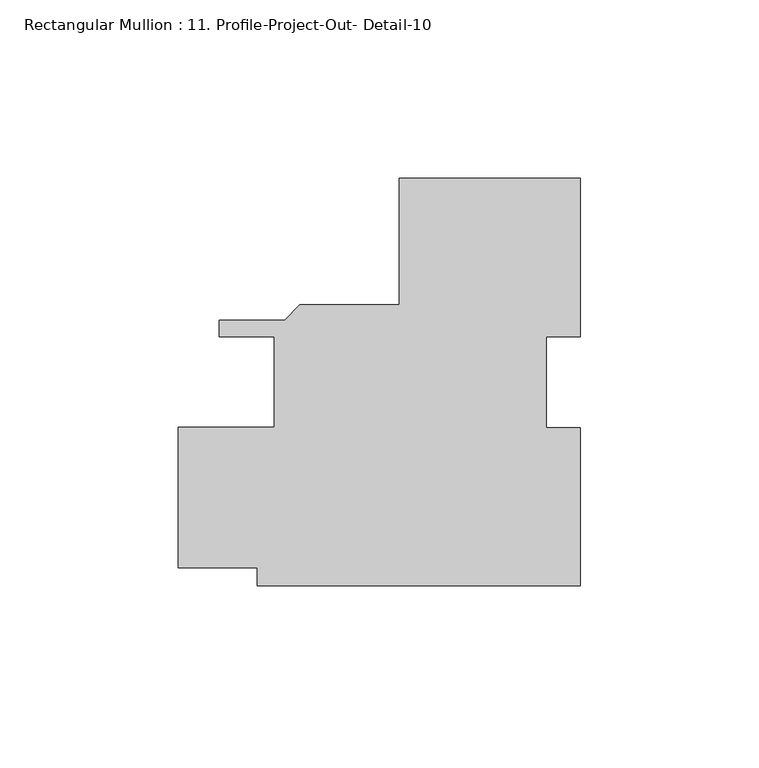
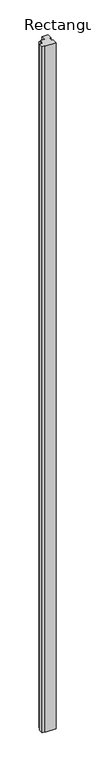
"""IFC4 building model written with IfcOpenShell, lengths in millimetres: member geometry, Rectangular Mullion : 11. Profile-Project-Out- Detail-10."""

from ifc_helpers import new_model, si_unit, frame, origin, place, context, project, spatial, polyline, outline, extrude, source, transform, mapped, element, save


def rectangular_mullion_11_profile_project_out_detail_10_9d4751c8(model_context):
    return source(origin(), model_context, "Body", "SweptSolid", [
        extrude(outline(polyline([(25.7137617, -57.15), (-64.7922517, -57.15), (-64.7922517, -52.0700207), (-86.9987383, -52.0700207), (-86.9987383, -12.7000207), (-60.0297518, -12.7000207), (-60.0297518, 12.6999791), (-75.5123878, 12.6999791), (-75.5123878, 17.3989793), (-57.1483935, 17.3989793), (-52.8811935, 21.6661793), (-25.091646, 21.6661793), (-25.091646, 57.15), (25.708354, 57.15), (25.708354, 12.7326322), (16.1893038, 12.7326322), (16.1893038, -12.7550661), (25.7137617, -12.7550661), (25.7137617, -57.15)])), frame((0.0, 0.0, -6096.0), z_axis=(0.0, 0.0, 1.0), x_axis=(1.0, 0.0, 0.0)), (0.0, 0.0, 1.0), 6096.0),
    ])


if __name__ == "__main__":
    model = new_model("IFC4")
    model_context = context("Model", 3, world=origin())
    ifc_project = project(units=[si_unit("LENGTHUNIT", "METRE", prefix="MILLI")], contexts=[model_context])
    site = spatial("IfcSite", under=ifc_project)
    building = spatial("IfcBuilding", under=site)
    placement = place(None, origin())
    rectangular_mullion_11_profile_project_out_detail_10_shape = rectangular_mullion_11_profile_project_out_detail_10_9d4751c8(model_context)
    element("IfcMember", 1, ObjectType="Rectangular Mullion : 11. Profile-Project-Out- Detail-10", at=placement, inside=building, context=model_context, shape_type="MappedRepresentation", body=[
        mapped(rectangular_mullion_11_profile_project_out_detail_10_shape, transform((0.0, 0.0, 0.0), x_axis=(1.0, 0.0, 0.0), y_axis=(0.0, 1.0, 0.0), z_axis=(0.0, 0.0, 1.0))),
    ])
    save(model, "model.ifc")
